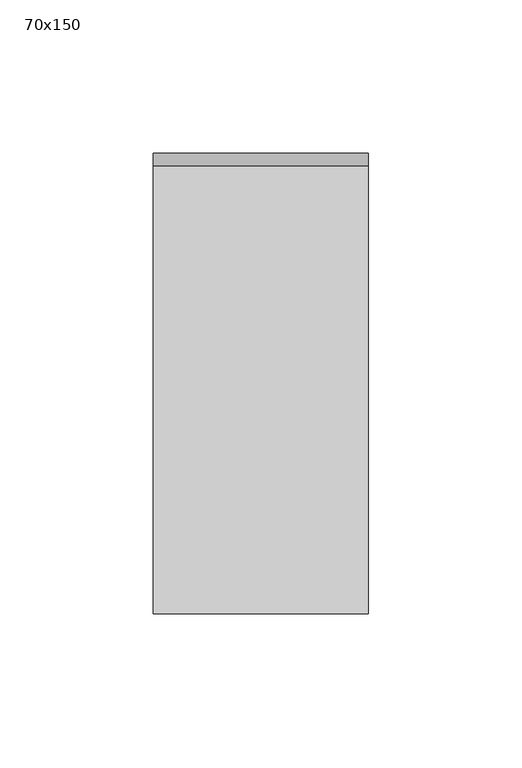
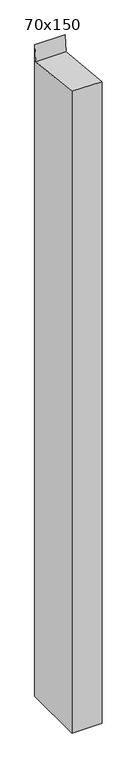
"""IFC4 building model written with IfcOpenShell, lengths in millimetres: member geometry, 70x150."""

from ifc_helpers import new_model, si_unit, frame, origin, place, context, project, spatial, polyline, outline, extrude, source, transform, mapped, element, save


def member_70x150_e25a0f05(model_context):
    return source(origin(), model_context, "Body", "SweptSolid", [
        extrude(outline(polyline([(-75.0, 7.6868246), (70.9325398, -7.6447511), (75.0, 31.0710865), (75.0, -1566.7487564), (-75.0, -1566.7487564), (-75.0, 7.6868246)])), frame((-70.0, 0.0, 0.0), z_axis=(1.0, 0.0, 0.0), x_axis=(0.0, 1.0, 0.0)), (0.0, 0.0, 1.0), 70.0),
    ])


if __name__ == "__main__":
    model = new_model("IFC4")
    model_context = context("Model", 3, world=origin())
    ifc_project = project(units=[si_unit("LENGTHUNIT", "METRE", prefix="MILLI")], contexts=[model_context])
    site = spatial("IfcSite", under=ifc_project)
    building = spatial("IfcBuilding", under=site)
    placement = place(None, origin())
    member_70x150_shape = member_70x150_e25a0f05(model_context)
    element("IfcMember", 1, ObjectType="70x150", at=placement, inside=building, context=model_context, shape_type="MappedRepresentation", body=[
        mapped(member_70x150_shape, transform((0.0, 0.0, 0.0), x_axis=(1.0, 0.0, 0.0), y_axis=(0.0, 1.0, 0.0), z_axis=(0.0, 0.0, 1.0))),
    ])
    save(model, "model.ifc")
